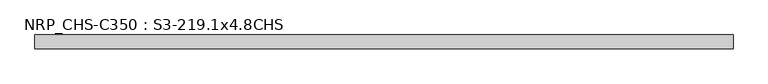
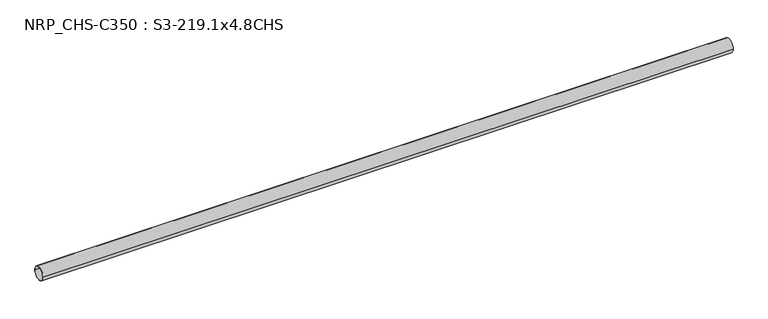
"""IFC4 building model written with IfcOpenShell, lengths in millimetres: beam geometry, NRP_CHS-C350 : S3-219.1x4.8CHS."""

from ifc_helpers import new_model, si_unit, point, frame, origin, origin_2d, place, context, project, spatial, circle_curve, trimmed, segment, composite_curve, outline, extrude, source, transform, mapped, element, save


def nrp_chs_c350_s3_219_1x4_8chs_031f85fc(model_context):
    return source(origin(), model_context, "Body", "SweptSolid", [
        extrude(outline(composite_curve([segment(trimmed(circle_curve(origin_2d(), 109.55), [point((109.55, 0.0))], [point((-109.55, 0.0))], False, "CARTESIAN"), True, "CONTINUOUS"), segment(trimmed(circle_curve(origin_2d(), 109.55), [point((-109.55, 0.0))], [point((109.55, 0.0))], False, "CARTESIAN"), True, "CONTINUOUS")], self_intersect=False), holes=[composite_curve([segment(trimmed(circle_curve(origin_2d(), 104.75), [point((-104.75, 0.0))], [point((104.75, 0.0))], True, "CARTESIAN"), True, "CONTINUOUS"), segment(trimmed(circle_curve(origin_2d(), 104.75), [point((104.75, 0.0))], [point((-104.75, 0.0))], True, "CARTESIAN"), True, "CONTINUOUS")], self_intersect=False)]), frame((-5512.3, 0.0, 0.0), z_axis=(1.0, 0.0, 0.0), x_axis=(0.0, 1.0, 0.0)), (0.0, 0.0, 1.0), 11035.1),
    ])


if __name__ == "__main__":
    model = new_model("IFC4")
    model_context = context("Model", 3, world=origin())
    ifc_project = project(units=[si_unit("LENGTHUNIT", "METRE", prefix="MILLI")], contexts=[model_context])
    site = spatial("IfcSite", under=ifc_project)
    building = spatial("IfcBuilding", under=site)
    placement = place(None, origin())
    nrp_chs_c350_s3_219_1x4_8chs_shape = nrp_chs_c350_s3_219_1x4_8chs_031f85fc(model_context)
    element("IfcBeam", 1, ObjectType="NRP_CHS-C350 : S3-219.1x4.8CHS", at=placement, inside=building, context=model_context, shape_type="MappedRepresentation", body=[
        mapped(nrp_chs_c350_s3_219_1x4_8chs_shape, transform((0.0, 0.0, 0.0), x_axis=(1.0, 0.0, 0.0), y_axis=(0.0, 1.0, 0.0), z_axis=(0.0, 0.0, 1.0))),
    ])
    save(model, "model.ifc")
